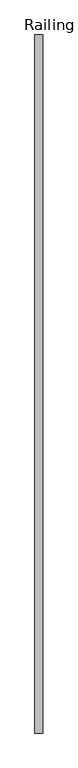
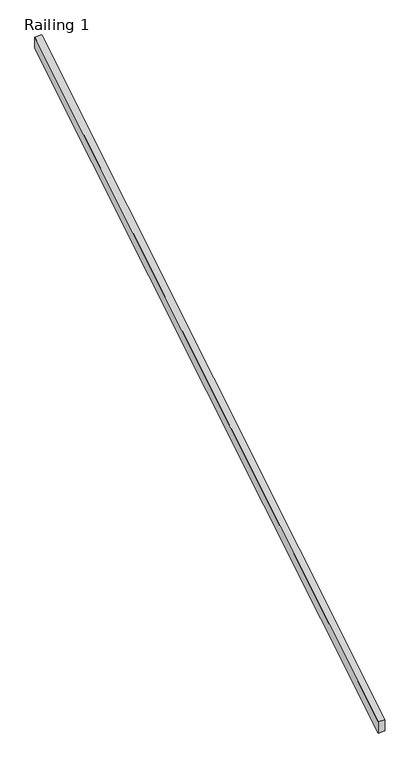
"""IFC4 building model written with IfcOpenShell, lengths in millimetres: railing geometry, Railing 1."""

import ifcopenshell
import ifcopenshell.guid

model = None  # the IFC model being written
_history = None  # IfcOwnerHistory: only IFC2X3 demands one
_inside = {}  # id of a spatial element -> (the spatial element, [elements in it])
_under = {}  # id of a project, library or spatial element -> (it, [spatial elements below it])
_declared = {}  # id of a project -> (the project, [libraries it declares])
_typed = {}  # id of a type object -> (the type object, [elements of that type])
_made_of = {}  # id of a material, layer set ... -> (it, [elements and type objects made of it])


def new_model(schema):
    """Start an empty IFC model of exactly this schema.

    Asked for "IFC4X3", IfcOpenShell would pick the latest addendum, in which some entities
    have other attributes; the version numbers below select the first issue.
    IFC2X3 requires an IfcOwnerHistory on every rooted entity: one is made here for all.
    """
    global model, _history
    if schema == "IFC4X3":
        model = ifcopenshell.file(schema_version=(4, 3, 0, 0))
    else:
        model = ifcopenshell.file(schema=schema)
    _inside.clear()
    _under.clear()
    _declared.clear()
    _typed.clear()
    _made_of.clear()
    _history = None
    if model.schema == "IFC2X3":
        org = make("IfcOrganization", Name="unknown")
        user = make(
            "IfcPersonAndOrganization",
            ThePerson=make("IfcPerson", FamilyName="unknown"),
            TheOrganization=org,
        )
        app = make(
            "IfcApplication",
            ApplicationDeveloper=org,
            Version="unknown",
            ApplicationFullName="unknown",
            ApplicationIdentifier="unknown",
        )
        _history = make(
            "IfcOwnerHistory",
            OwningUser=user,
            OwningApplication=app,
            ChangeAction="ADDED",
            CreationDate=0,
        )
    return model


def make(cls, **values):
    """One entity of the class cls with the attributes given. An attribute that is None is left unset."""
    return model.create_entity(
        cls, **{name: value for name, value in values.items() if value is not None}
    )


def rooted(cls, **values):
    """An entity with a GlobalId (a new one), such as an element, a storey or a relation."""
    return make(cls, GlobalId=ifcopenshell.guid.new(), OwnerHistory=_history, **values)


def si_unit(unit_type, name, prefix=None):
    """IfcSIUnit, for example si_unit("LENGTHUNIT", "METRE", prefix="MILLI")."""
    return make("IfcSIUnit", UnitType=unit_type, Prefix=prefix, Name=name)


def assignment(units):
    """IfcUnitAssignment: the units of a project."""
    return None if units is None else make("IfcUnitAssignment", Units=units)


def point(xyz):
    """IfcCartesianPoint."""
    return None if xyz is None else make("IfcCartesianPoint", Coordinates=xyz)


def direction(xyz):
    """IfcDirection."""
    return None if xyz is None else make("IfcDirection", DirectionRatios=xyz)


def frame(location, z_axis=None, x_axis=None):
    """IfcAxis2Placement3D, a coordinate frame: its origin and axes. An axis left out is left unset."""
    return make(
        "IfcAxis2Placement3D",
        Location=point(location),
        Axis=direction(z_axis),
        RefDirection=direction(x_axis),
    )


def origin():
    """The frame at (0, 0, 0) with its axes left unset."""
    return frame((0.0, 0.0, 0.0))


def place(relative_to, where):
    """IfcLocalPlacement: puts the frame where relative to a parent placement (None: the world)."""
    return make(
        "IfcLocalPlacement", PlacementRelTo=relative_to, RelativePlacement=where
    )


def context(
    kind, dimensions, precision=None, world=None, true_north=None, identifier=None
):
    """IfcGeometricRepresentationContext, for example the 3D "Model" context."""
    return make(
        "IfcGeometricRepresentationContext",
        ContextIdentifier=identifier,
        ContextType=kind,
        CoordinateSpaceDimension=dimensions,
        Precision=precision,
        WorldCoordinateSystem=world,
        TrueNorth=true_north,
    )


def project(units=None, contexts=None):
    """IfcProject with its units and contexts."""
    return rooted(
        "IfcProject",
        Name="project",
        RepresentationContexts=contexts,
        UnitsInContext=assignment(units),
    )


def spatial(cls, under=None, at=None, **own):
    """A site, building, storey or space (cls), placed at a placement, below another one or the project."""
    s = rooted(cls, ObjectPlacement=at, **own)
    if under is not None:
        _under.setdefault(under.id(), (under, []))[1].append(s)
    return s


def polyline(points):
    """IfcPolyline through the points."""
    return make("IfcPolyline", Points=[point(p) for p in points])


def outline(outer, holes=None, kind="AREA"):
    """IfcArbitraryClosedProfileDef: a profile drawn as a closed curve; with holes, ...WithVoids."""
    if holes is None:
        return make("IfcArbitraryClosedProfileDef", ProfileType=kind, OuterCurve=outer)
    return make(
        "IfcArbitraryProfileDefWithVoids",
        ProfileType=kind,
        OuterCurve=outer,
        InnerCurves=holes,
    )


def extrude(swept, where, along, depth):
    """IfcExtrudedAreaSolid: the profile swept, set in the frame where, extruded along a direction by depth."""
    return make(
        "IfcExtrudedAreaSolid",
        SweptArea=swept,
        Position=where,
        ExtrudedDirection=direction(along),
        Depth=depth,
    )


def shape(context_of_items, identifier, shape_type, items):
    """IfcShapeRepresentation: the items that make up one representation, for example the "Body"."""
    return make(
        "IfcShapeRepresentation",
        ContextOfItems=context_of_items,
        RepresentationIdentifier=identifier,
        RepresentationType=shape_type,
        Items=items,
    )


def source(mapping_origin, context_of_items, identifier, shape_type, items):
    """IfcRepresentationMap: a shape defined once, which mapped items show again and again."""
    return make(
        "IfcRepresentationMap",
        MappingOrigin=mapping_origin,
        MappedRepresentation=shape(context_of_items, identifier, shape_type, items),
    )


def transform(
    local_origin,
    x_axis=None,
    y_axis=None,
    z_axis=None,
    scale=None,
    scale2=None,
    scale3=None,
    uniform=True,
):
    """IfcCartesianTransformationOperator3D, or its non-uniform kind. x_axis, y_axis, z_axis: its Axis1, 2, 3."""
    if uniform:
        return make(
            "IfcCartesianTransformationOperator3D",
            Axis1=direction(x_axis),
            Axis2=direction(y_axis),
            LocalOrigin=point(local_origin),
            Scale=scale,
            Axis3=direction(z_axis),
        )
    return make(
        "IfcCartesianTransformationOperator3DnonUniform",
        Axis1=direction(x_axis),
        Axis2=direction(y_axis),
        LocalOrigin=point(local_origin),
        Scale=scale,
        Axis3=direction(z_axis),
        Scale2=scale2,
        Scale3=scale3,
    )


def mapped(mapping_source, mapping_target):
    """IfcMappedItem: shows the shape of a source again, moved by a transform."""
    return make(
        "IfcMappedItem", MappingSource=mapping_source, MappingTarget=mapping_target
    )


def made_of(thing, what):
    """Note that an element or type object is made of a material, layer set ...; save() writes the relation."""
    if what is not None:
        _made_of.setdefault(what.id(), (what, []))[1].append(thing)
    return thing


def element(
    cls,
    number,
    at=None,
    inside=None,
    cuts=None,
    type_object=None,
    material=None,
    context=None,
    identifier="Body",
    shape_type=None,
    held_by="IfcProductDefinitionShape",
    body=None,
    shapes=None,
    **own,
):
    """One element of the class cls, such as IfcWall. Its Tag is "e" and its number.

    at: its placement. inside: the storey or other place that contains it. cuts: it is an
    opening in that element (IfcRelVoidsElement). A single representation is given by context,
    identifier, shape_type and body (its items); several are given by shapes. held_by: the class
    of the entity that holds the representations. save() writes the other relations.
    """
    e = rooted(cls, Tag="e%d" % number, ObjectPlacement=at, **own)
    if body is not None:
        shapes = [shape(context, identifier, shape_type, body)]
    if shapes is not None:
        e.Representation = make(held_by, Representations=shapes)
    if inside is not None:
        _inside.setdefault(inside.id(), (inside, []))[1].append(e)
    if cuts is not None:
        rooted(
            "IfcRelVoidsElement", RelatingBuildingElement=cuts, RelatedOpeningElement=e
        )
    if type_object is not None:
        _typed.setdefault(type_object.id(), (type_object, []))[1].append(e)
    return made_of(e, material)


def aggregate(whole, parts):
    """IfcRelAggregates: a whole, such as a stair, and the parts it consists of."""
    return rooted("IfcRelAggregates", RelatingObject=whole, RelatedObjects=parts)


def save(model, path):
    """Write the relations noted so far, then the file.

    IfcRelAggregates (storeys below a building ...), IfcRelContainedInSpatialStructure (elements
    in a storey), IfcRelDefinesByType, IfcRelAssociatesMaterial and IfcRelDeclares: one each for
    every whole, place, type object, material and project.
    """
    for whole, parts in _under.values():
        aggregate(whole, parts)
    for where, things in _inside.values():
        rooted(
            "IfcRelContainedInSpatialStructure",
            RelatedElements=things,
            RelatingStructure=where,
        )
    for kind, things in _typed.values():
        rooted("IfcRelDefinesByType", RelatedObjects=things, RelatingType=kind)
    for what, things in _made_of.values():
        rooted("IfcRelAssociatesMaterial", RelatedObjects=things, RelatingMaterial=what)
    for by, libraries in _declared.values():
        rooted("IfcRelDeclares", RelatingContext=by, RelatedDefinitions=libraries)
    model.write(path)


def railing_1_981ebab9(model_context):
    return source(origin(), model_context, "Body", "SweptSolid", [
        extrude(outline(polyline([(185331.8596581, 1139.2458145), (185331.8596581, 1228.4891807), (189802.2596581, 3953.7679687), (189802.2596581, 3864.5246025), (185331.8596581, 1139.2458145)])), frame((210138.1478488, 0.0, 0.0), z_axis=(1.0, 0.0, 0.0), x_axis=(0.0, 1.0, 0.0)), (0.0, 0.0, 1.0), 50.8),
    ])


if __name__ == "__main__":
    model = new_model("IFC4")
    model_context = context("Model", 3, world=origin())
    ifc_project = project(units=[si_unit("LENGTHUNIT", "METRE", prefix="MILLI")], contexts=[model_context])
    site = spatial("IfcSite", under=ifc_project)
    building = spatial("IfcBuilding", under=site)
    placement = place(None, origin())
    railing_1_shape = railing_1_981ebab9(model_context)
    element("IfcRailing", 1, ObjectType="Railing 1", at=placement, inside=building, context=model_context, shape_type="MappedRepresentation", body=[
        mapped(railing_1_shape, transform((0.0, 0.0, 0.0), x_axis=(1.0, 0.0, 0.0), y_axis=(0.0, 1.0, 0.0), z_axis=(0.0, 0.0, 1.0))),
    ])
    save(model, "model.ifc")
